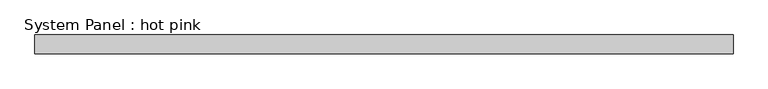
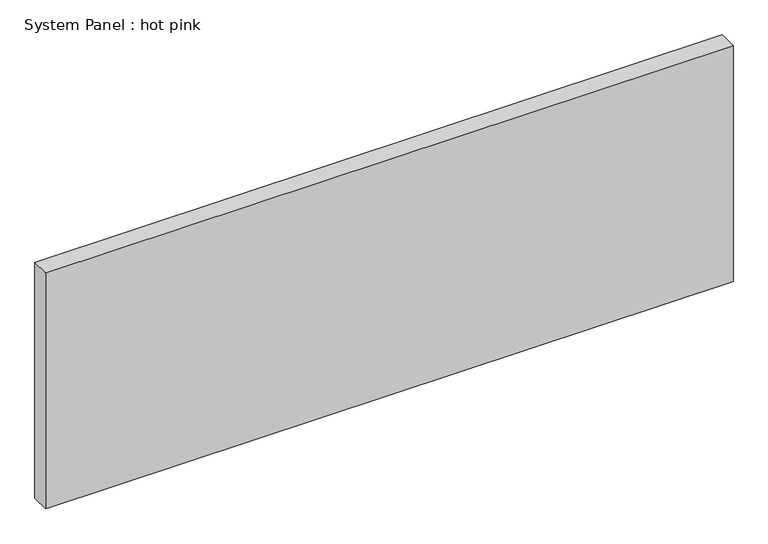
"""IFC4 building model written with IfcOpenShell, lengths in millimetres: plate geometry, System Panel : hot pink."""

from ifc_helpers import new_model, si_unit, origin, origin_with_axes, place, context, project, spatial, polyline, outline, extrude, source, transform, mapped, element, save


def system_panel_hot_pink_5530f88e(model_context):
    return source(origin(), model_context, "Body", "SweptSolid", [
        extrude(outline(polyline([(1171.575, -19.05), (-1171.575, -19.05), (-1171.575, 44.45), (1171.575, 44.45), (1171.575, -19.05)])), origin_with_axes(), (0.0, 0.0, 1.0), 850.9),
    ])


if __name__ == "__main__":
    model = new_model("IFC4")
    model_context = context("Model", 3, world=origin())
    ifc_project = project(units=[si_unit("LENGTHUNIT", "METRE", prefix="MILLI")], contexts=[model_context])
    site = spatial("IfcSite", under=ifc_project)
    building = spatial("IfcBuilding", under=site)
    placement = place(None, origin())
    system_panel_hot_pink_shape = system_panel_hot_pink_5530f88e(model_context)
    element("IfcPlate", 1, ObjectType="System Panel : hot pink", at=placement, inside=building, context=model_context, shape_type="MappedRepresentation", body=[
        mapped(system_panel_hot_pink_shape, transform((0.0, 0.0, 0.0), x_axis=(1.0, 0.0, 0.0), y_axis=(0.0, 1.0, 0.0), z_axis=(0.0, 0.0, 1.0))),
    ])
    save(model, "model.ifc")
